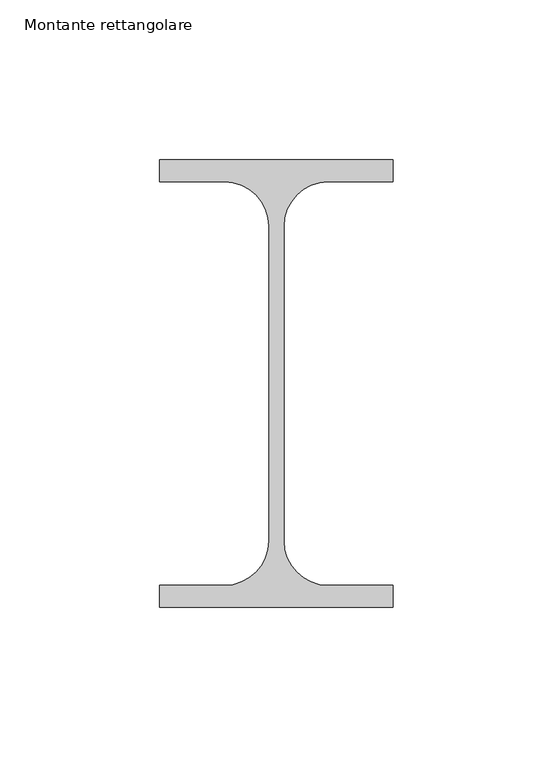
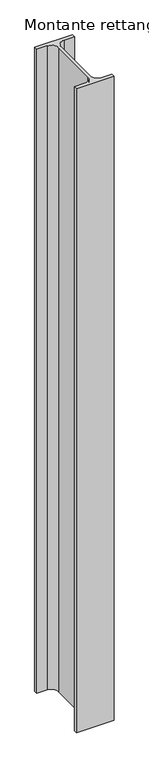
"""IFC4 building model written with IfcOpenShell, lengths in millimetres: member geometry, Montante rettangolare."""

from ifc_helpers import new_model, si_unit, point, frame, frame_2d, origin, place, context, project, spatial, polyline, circle_curve, trimmed, segment, composite_curve, outline, extrude, source, transform, mapped, element, save


def montante_rettangolare_a18dfd91(model_context):
    return source(origin(), model_context, "Body", "SweptSolid", [
        extrude(outline(composite_curve([segment(polyline([(-73.0, 13.1), (-73.0, 20.0), (0.0, 20.0), (0.0, 13.1), (-20.25, 13.1)]), True, "CONTINUOUS"), segment(trimmed(circle_curve(frame_2d((-20.25, -0.8)), 13.9), [point((-20.25, 13.1))], [point((-34.15, -0.8))], True, "CARTESIAN"), True, "CONTINUOUS"), segment(polyline([(-34.15, -0.8), (-34.15, -99.2)]), True, "CONTINUOUS"), segment(trimmed(circle_curve(frame_2d((-20.25, -99.2)), 13.9), [point((-34.15, -99.2))], [point((-20.25, -113.1))], True, "CARTESIAN"), True, "CONTINUOUS"), segment(polyline([(-20.25, -113.1), (0.0, -113.1), (0.0, -120.0), (-73.0, -120.0), (-73.0, -113.1), (-52.75, -113.1)]), True, "CONTINUOUS"), segment(trimmed(circle_curve(frame_2d((-52.75, -99.2)), 13.9), [point((-52.75, -113.1))], [point((-38.85, -99.2))], True, "CARTESIAN"), True, "CONTINUOUS"), segment(polyline([(-38.85, -99.2), (-38.85, -0.8)]), True, "CONTINUOUS"), segment(trimmed(circle_curve(frame_2d((-52.75, -0.8)), 13.9), [point((-38.85, -0.8))], [point((-52.75, 13.1))], True, "CARTESIAN"), True, "CONTINUOUS"), segment(polyline([(-52.75, 13.1), (-73.0, 13.1)]), True, "CONTINUOUS")], self_intersect=False)), frame((0.0, 0.0, -1321.7747548), z_axis=(0.0, 0.0, 1.0), x_axis=(1.0, 0.0, 0.0)), (0.0, 0.0, 1.0), 1321.7747548),
    ])


if __name__ == "__main__":
    model = new_model("IFC4")
    model_context = context("Model", 3, world=origin())
    ifc_project = project(units=[si_unit("LENGTHUNIT", "METRE", prefix="MILLI")], contexts=[model_context])
    site = spatial("IfcSite", under=ifc_project)
    building = spatial("IfcBuilding", under=site)
    placement = place(None, origin())
    montante_rettangolare_shape = montante_rettangolare_a18dfd91(model_context)
    element("IfcMember", 1, ObjectType="Montante rettangolare", at=placement, inside=building, context=model_context, shape_type="MappedRepresentation", body=[
        mapped(montante_rettangolare_shape, transform((0.0, 0.0, 0.0), x_axis=(1.0, 0.0, 0.0), y_axis=(0.0, 1.0, 0.0), z_axis=(0.0, 0.0, 1.0))),
    ])
    save(model, "model.ifc")
